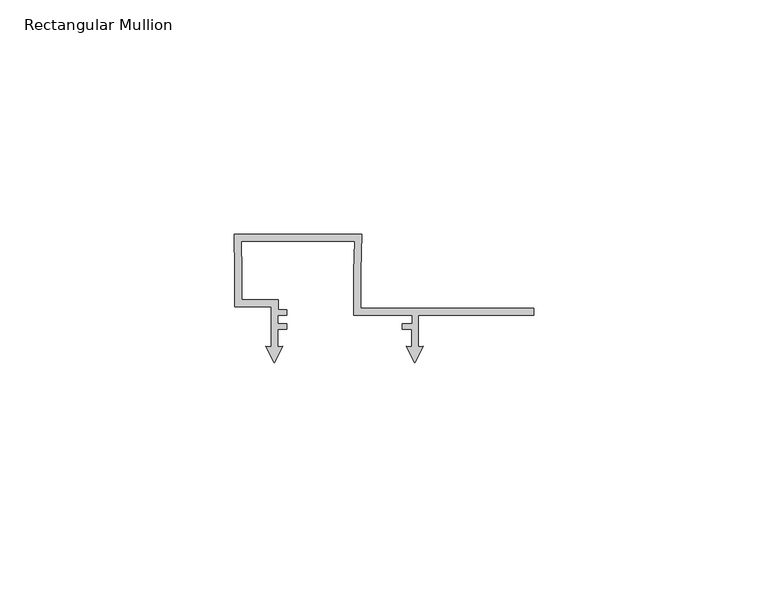
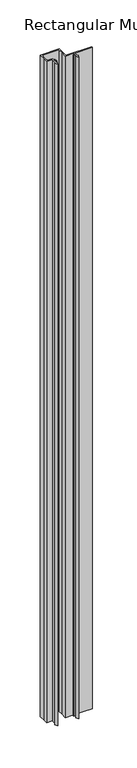
"""IFC4 building model written with IfcOpenShell, lengths in millimetres: member geometry, Rectangular Mullion."""

from ifc_helpers import new_model, si_unit, frame, origin, place, context, project, spatial, polyline, outline, extrude, source, transform, mapped, element, save


def rectangular_mullion_062f8427(model_context):
    return source(origin(), model_context, "Body", "SweptSolid", [
        extrude(outline(polyline([(0.0, 52.1000001), (27.279476, 52.1000001), (27.1352165, 44.1039069), (27.1353052, 36.2004291), (64.1, 36.2004291), (64.1, 34.7056679), (39.3351463, 34.7056679), (39.3351463, 28.0038207), (40.4508816, 28.1014348), (38.635145, 24.5378474), (36.8194083, 28.1014348), (37.9351461, 28.0038204), (37.9351461, 31.6999997), (35.942882, 31.6999997), (35.942882, 32.9008281), (38.0351451, 32.9008281), (38.0351451, 34.6999997), (25.6351455, 34.6999997), (25.6351455, 44.1117002), (25.7521689, 50.5999998), (1.5181226, 50.5999998), (1.6351135, 44.1153631), (1.6351472, 38.0997951), (9.4446143, 38.0997951), (9.4446143, 35.9015214), (11.3232242, 35.9015214), (11.3232242, 34.6999954), (9.344327, 34.6999954), (9.344327, 32.9004386), (11.3227094, 32.9004386), (11.3227094, 31.698351), (9.3351463, 31.698351), (9.3351463, 28.0038206), (10.4508827, 28.1014348), (8.6351462, 24.5378474), (6.8194096, 28.1014348), (7.9351461, 28.0038205), (7.9351461, 36.5995654), (0.1443272, 36.5995654), (0.1443272, 44.0977912), (0.0, 52.1000001)])), frame((0.0, 0.0, -1000.0), z_axis=(0.0, 0.0, 1.0), x_axis=(1.0, 0.0, 0.0)), (0.0, 0.0, 1.0), 1000.0),
    ])


if __name__ == "__main__":
    model = new_model("IFC4")
    model_context = context("Model", 3, world=origin())
    ifc_project = project(units=[si_unit("LENGTHUNIT", "METRE", prefix="MILLI")], contexts=[model_context])
    site = spatial("IfcSite", under=ifc_project)
    building = spatial("IfcBuilding", under=site)
    placement = place(None, origin())
    rectangular_mullion_shape = rectangular_mullion_062f8427(model_context)
    element("IfcMember", 1, ObjectType="Rectangular Mullion", at=placement, inside=building, context=model_context, shape_type="MappedRepresentation", body=[
        mapped(rectangular_mullion_shape, transform((0.0, 0.0, 0.0), x_axis=(1.0, 0.0, 0.0), y_axis=(0.0, 1.0, 0.0), z_axis=(0.0, 0.0, 1.0))),
    ])
    save(model, "model.ifc")
